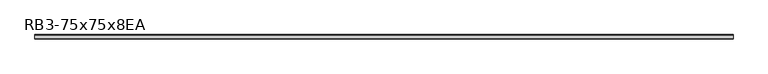
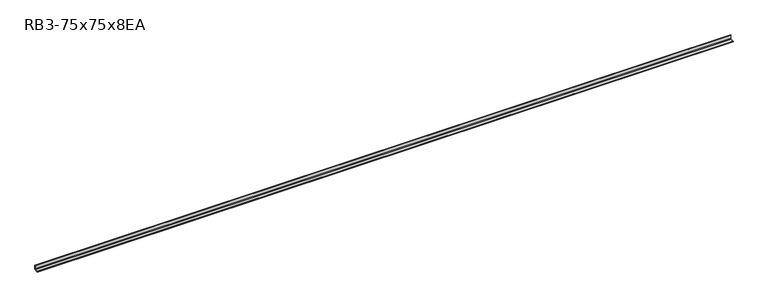
"""IFC4 building model written with IfcOpenShell, lengths in millimetres: member geometry, RB3-75x75x8EA."""

from ifc_helpers import new_model, si_unit, point, frame, frame_2d, origin, place, context, project, spatial, polyline, circle_curve, trimmed, segment, composite_curve, outline, extrude, source, transform, mapped, element, save


def rb3_75x75x8ea_a50c2995(model_context):
    return source(origin(), model_context, "Body", "SweptSolid", [
        extrude(outline(composite_curve([segment(polyline([(21.3, -21.3), (-53.7, -21.3), (-53.7, -18.3)]), True, "CONTINUOUS"), segment(trimmed(circle_curve(frame_2d((-48.7, -18.3)), 5.0), [point((-53.7, -18.3))], [point((-48.7, -13.3))], False, "CARTESIAN"), True, "CONTINUOUS"), segment(polyline([(-48.7, -13.3), (5.3, -13.3)]), True, "CONTINUOUS"), segment(trimmed(circle_curve(frame_2d((5.3, -5.3)), 8.0), [point((5.3, -13.3))], [point((13.3, -5.3))], True, "CARTESIAN"), True, "CONTINUOUS"), segment(polyline([(13.3, -5.3), (13.3, 48.7)]), True, "CONTINUOUS"), segment(trimmed(circle_curve(frame_2d((18.3, 48.7)), 5.0), [point((13.3, 48.7))], [point((18.3, 53.7))], False, "CARTESIAN"), True, "CONTINUOUS"), segment(polyline([(18.3, 53.7), (21.3, 53.7), (21.3, -21.3)]), True, "CONTINUOUS")], self_intersect=False)), frame((-5860.7629011, 0.0, 0.0), z_axis=(1.0, 0.0, 0.0), x_axis=(0.0, 1.0, 0.0)), (0.0, 0.0, 1.0), 11764.8605412),
    ])


if __name__ == "__main__":
    model = new_model("IFC4")
    model_context = context("Model", 3, world=origin())
    ifc_project = project(units=[si_unit("LENGTHUNIT", "METRE", prefix="MILLI")], contexts=[model_context])
    site = spatial("IfcSite", under=ifc_project)
    building = spatial("IfcBuilding", under=site)
    placement = place(None, origin())
    rb3_75x75x8ea_shape = rb3_75x75x8ea_a50c2995(model_context)
    element("IfcMember", 1, ObjectType="RB3-75x75x8EA", at=placement, inside=building, context=model_context, shape_type="MappedRepresentation", body=[
        mapped(rb3_75x75x8ea_shape, transform((0.0, 0.0, 0.0), x_axis=(1.0, 0.0, 0.0), y_axis=(0.0, 1.0, 0.0), z_axis=(0.0, 0.0, 1.0))),
    ])
    save(model, "model.ifc")
